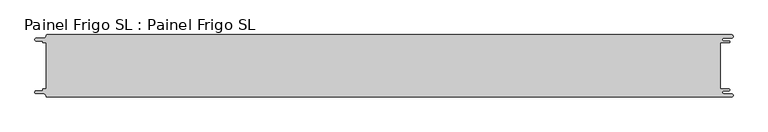
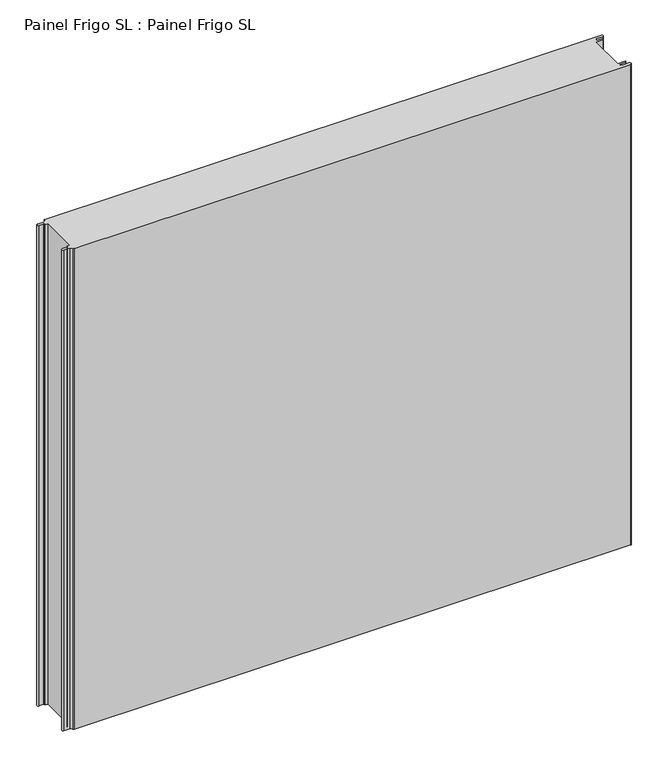
"""IFC4 building model written with IfcOpenShell, lengths in millimetres: proxy geometry, Painel Frigo SL : Painel Frigo SL."""

from ifc_helpers import new_model, si_unit, frame, origin, place, context, project, spatial, polyline, circle_curve, source, transform, mapped, element, save
from ifc_brep_helpers import plane_surface, cylinder_surface, revolved_surface, advanced_brep


def painel_frigo_sl_painel_frigo_sl_5bfc62d3(model_context):
    return source(origin(), model_context, "Body", "AdvancedBrep", [
        advanced_brep(
        [(-554.5874998, 37.3, 1000.0), (-549.2999612, 37.3, 1000.0), (-549.2999612, -37.2999995, 1000.0), (-554.5874998, -37.2999995, 1000.0), (-555.1875003, -37.9, 1000.0), (-555.1875003, -38.7085185, 1000.0), (-556.5875003, -40.1085185, 1000.0), (-565.565625, -40.1085185, 1000.0), (-565.565625, -44.5085185, 1000.0), (-553.55, -44.5085185, 1000.0), (-550.0, -48.0585185, 1000.0), (-548.05, -50.0, 1000.0), (546.89375, -50.0, 1000.0), (546.89375, -44.725, 1000.0), (534.45625, -44.725, 1000.0), (534.45625, -39.875, 1000.0), (543.1187503, -39.875, 1000.0), (543.1187503, -37.3, 1000.0), (529.2687503, -37.3, 1000.0), (529.2687503, 37.3, 1000.0), (543.1187503, 37.3, 1000.0), (543.1187503, 39.875, 1000.0), (534.45625, 39.875, 1000.0), (534.45625, 44.725, 1000.0), (546.89375, 44.725, 1000.0), (546.89375, 50.0, 1000.0), (-548.05, 50.0, 1000.0), (-550.0, 48.05, 1000.0), (-553.55, 44.5085185, 1000.0), (-565.565625, 44.5085185, 1000.0), (-565.565625, 40.1085187, 1000.0), (-556.5875001, 40.1085187, 1000.0), (-555.1874998, 38.7085184, 1000.0), (-555.1874998, 37.9, 1000.0), (-554.5874998, 37.3, 0.0), (-555.1874998, 37.9, 0.0), (-555.1874998, 38.7085184, 0.0), (-556.5875001, 40.1085187, 0.0), (-565.565625, 40.1085187, 0.0), (-565.565625, 44.5085185, 0.0), (-553.55, 44.5085185, 0.0), (-550.0, 48.0585185, 0.0), (-548.05, 50.0, 0.0), (546.89375, 50.0, 0.0), (546.89375, 44.725, 0.0), (534.45625, 44.725, 0.0), (534.45625, 39.875, 0.0), (543.1187503, 39.875, 0.0), (543.1187503, 37.3, 0.0), (529.2687503, 37.3, 0.0), (529.2687503, -37.3, 0.0), (543.1187503, -37.3, 0.0), (543.1187503, -39.875, 0.0), (534.45625, -39.875, 0.0), (534.45625, -44.725, 0.0), (546.89375, -44.725, 0.0), (546.89375, -50.0, 0.0), (-548.05, -50.0, 0.0), (-550.0, -48.05, 0.0), (-553.55, -44.5085185, 0.0), (-565.565625, -44.5085185, 0.0), (-565.565625, -40.1085185, 0.0), (-556.5875003, -40.1085185, 0.0), (-555.1875003, -38.7085185, 0.0), (-555.1875003, -37.9, 0.0), (-554.5874998, -37.2999995, 0.0), (-549.2999612, -37.2999995, 0.0), (-549.2999612, 37.3, 0.0)],
        [
            (0, 1),
            (1, 2),
            (2, 3),
            (3, 4, circle_curve(frame((-554.5874998, -37.9, 1000.0), z_axis=(0.0, 0.0, 1.0), x_axis=(1.0, 0.0, 0.0)), 0.6000005)),
            (4, 5),
            (5, 6, circle_curve(frame((-556.5875003, -38.7085185, 1000.0), z_axis=(0.0, 0.0, -1.0), x_axis=(1.0, 0.0, 0.0)), 1.4)),
            (6, 7),
            (7, 8, circle_curve(frame((-565.565625, -42.3085185, 1000.0), z_axis=(0.0, 0.0, 1.0), x_axis=(1.0, 0.0, 0.0)), 2.2)),
            (8, 9),
            (9, 10, circle_curve(frame((-553.55, -48.0585185, 1000.0), z_axis=(0.0, 0.0, -1.0), x_axis=(1.0, 0.0, 0.0)), 3.55)),
            (10, 11, circle_curve(frame((-548.05, -48.05, 1000.0), z_axis=(0.0, 0.0, 1.0), x_axis=(1.0, 0.0, 0.0)), 1.95)),
            (11, 12),
            (12, 13, circle_curve(frame((546.89375, -47.3625, 1000.0), z_axis=(0.0, 0.0, 1.0), x_axis=(1.0, 0.0, 0.0)), 2.6375)),
            (13, 14),
            (14, 15, circle_curve(frame((534.45625, -42.3, 1000.0), z_axis=(0.0, 0.0, -1.0), x_axis=(1.0, 0.0, 0.0)), 2.425)),
            (15, 16),
            (16, 17, circle_curve(frame((543.1187503, -38.5875, 1000.0), z_axis=(0.0, 0.0, 1.0), x_axis=(1.0, 0.0, 0.0)), 1.2875)),
            (17, 18),
            (18, 19),
            (19, 20),
            (20, 21, circle_curve(frame((543.1187503, 38.5875, 1000.0), z_axis=(0.0, 0.0, 1.0), x_axis=(1.0, 0.0, 0.0)), 1.2875)),
            (21, 22),
            (22, 23, circle_curve(frame((534.45625, 42.3, 1000.0), z_axis=(0.0, 0.0, -1.0), x_axis=(1.0, 0.0, 0.0)), 2.425)),
            (23, 24),
            (24, 25, circle_curve(frame((546.89375, 47.3625, 1000.0), z_axis=(0.0, 0.0, 1.0), x_axis=(1.0, 0.0, 0.0)), 2.6375)),
            (25, 26),
            (26, 27, circle_curve(frame((-548.05, 48.05, 1000.0), z_axis=(0.0, 0.0, 1.0), x_axis=(1.0, 0.0, 0.0)), 1.95)),
            (27, 28, circle_curve(frame((-553.55, 48.0585185, 1000.0), z_axis=(0.0, 0.0, -1.0), x_axis=(1.0, 0.0, 0.0)), 3.55)),
            (28, 29),
            (29, 30, circle_curve(frame((-565.565625, 42.3085186, 1000.0), z_axis=(0.0, 0.0, 1.0), x_axis=(1.0, 0.0, 0.0)), 2.1999999)),
            (30, 31),
            (31, 32, circle_curve(frame((-556.5875001, 38.7085184, 1000.0), z_axis=(0.0, 0.0, -1.0), x_axis=(1.0, 0.0, 0.0)), 1.4000003)),
            (32, 33),
            (33, 0, circle_curve(frame((-554.5874998, 37.9, 1000.0), z_axis=(0.0, 0.0, 1.0), x_axis=(1.0, 0.0, 0.0)), 0.6)),
            (34, 35, circle_curve(frame((-554.5874998, 37.9, 0.0), z_axis=(0.0, 0.0, -1.0), x_axis=(1.0, 0.0, 0.0)), 0.6)),
            (35, 36),
            (36, 37, circle_curve(frame((-556.5875001, 38.7085184, 0.0), z_axis=(0.0, 0.0, 1.0), x_axis=(1.0, 0.0, 0.0)), 1.4000003)),
            (37, 38),
            (38, 39, circle_curve(frame((-565.565625, 42.3085186, 0.0), z_axis=(0.0, 0.0, -1.0), x_axis=(1.0, 0.0, 0.0)), 2.1999999)),
            (39, 40),
            (40, 41, circle_curve(frame((-553.55, 48.0585185, 0.0), z_axis=(0.0, 0.0, 1.0), x_axis=(1.0, 0.0, 0.0)), 3.55)),
            (41, 42, circle_curve(frame((-548.05, 48.05, 0.0), z_axis=(0.0, 0.0, -1.0), x_axis=(1.0, 0.0, 0.0)), 1.95)),
            (42, 43),
            (43, 44, circle_curve(frame((546.89375, 47.3625, 0.0), z_axis=(0.0, 0.0, -1.0), x_axis=(1.0, 0.0, 0.0)), 2.6375)),
            (44, 45),
            (45, 46, circle_curve(frame((534.45625, 42.3, 0.0), z_axis=(0.0, 0.0, 1.0), x_axis=(1.0, 0.0, 0.0)), 2.425)),
            (46, 47),
            (47, 48, circle_curve(frame((543.1187503, 38.5875, 0.0), z_axis=(0.0, 0.0, -1.0), x_axis=(1.0, 0.0, 0.0)), 1.2875)),
            (48, 49),
            (49, 50),
            (50, 51),
            (51, 52, circle_curve(frame((543.1187503, -38.5875, 0.0), z_axis=(0.0, 0.0, -1.0), x_axis=(1.0, 0.0, 0.0)), 1.2875)),
            (52, 53),
            (53, 54, circle_curve(frame((534.45625, -42.3, 0.0), z_axis=(0.0, 0.0, 1.0), x_axis=(1.0, 0.0, 0.0)), 2.425)),
            (54, 55),
            (55, 56, circle_curve(frame((546.89375, -47.3625, 0.0), z_axis=(0.0, 0.0, -1.0), x_axis=(1.0, 0.0, 0.0)), 2.6375)),
            (56, 57),
            (57, 58, circle_curve(frame((-548.05, -48.05, 0.0), z_axis=(0.0, 0.0, -1.0), x_axis=(1.0, 0.0, 0.0)), 1.95)),
            (58, 59, circle_curve(frame((-553.55, -48.0585185, 0.0), z_axis=(0.0, 0.0, 1.0), x_axis=(1.0, 0.0, 0.0)), 3.55)),
            (59, 60),
            (60, 61, circle_curve(frame((-565.565625, -42.3085185, 0.0), z_axis=(0.0, 0.0, -1.0), x_axis=(1.0, 0.0, 0.0)), 2.2)),
            (61, 62),
            (62, 63, circle_curve(frame((-556.5875003, -38.7085185, 0.0), z_axis=(0.0, 0.0, 1.0), x_axis=(1.0, 0.0, 0.0)), 1.4)),
            (63, 64),
            (64, 65, circle_curve(frame((-554.5874998, -37.9, 0.0), z_axis=(0.0, 0.0, -1.0), x_axis=(1.0, 0.0, 0.0)), 0.6000005)),
            (65, 66),
            (66, 67),
            (67, 34),
            (0, 34),
            (67, 1),
            (66, 2),
            (65, 3),
            (64, 4),
            (63, 5),
            (62, 6),
            (61, 7),
            (60, 8),
            (59, 9),
            (58, 10),
            (57, 11),
            (56, 12),
            (18, 50),
            (49, 19),
            (48, 20),
            (47, 21),
            (46, 22),
            (45, 23),
            (44, 24),
            (43, 25),
            (42, 26),
            (41, 27),
            (40, 28),
            (39, 29),
            (38, 30),
            (37, 31),
            (36, 32),
            (35, 33),
            (55, 13),
            (54, 14),
            (53, 15),
            (52, 16),
            (51, 17),
        ],
        [
            plane_surface(frame((-549.2999612, 37.3, 1000.0), z_axis=(0.0, 0.0, 1.0), x_axis=(1.0, 0.0, 0.0))),
            plane_surface(frame((-549.2999612, 37.3, 0.0), z_axis=(0.0, 0.0, -1.0), x_axis=(-1.0, 0.0, 0.0))),
            plane_surface(frame((-554.5874998, 37.3, 1000.0), z_axis=(0.0, -1.0, 0.0), x_axis=(0.0, 0.0, -1.0))),
            plane_surface(frame((-549.2999612, 37.3, 1000.0), z_axis=(-1.0, 0.0, 0.0), x_axis=(0.0, 0.0, -1.0))),
            plane_surface(frame((-549.2999612, -37.2999995, 1000.0), z_axis=(0.0, 1.0, 0.0), x_axis=(0.0, 0.0, -1.0))),
            cylinder_surface(frame((-554.5874998, -37.9, 0.0), z_axis=(0.0, 0.0, 1.0), x_axis=(1.0, 0.0, 0.0)), 0.6000005),
            plane_surface(frame((-555.1875003, -37.9, 1000.0), z_axis=(-1.0, 1.757860866232943e-12, 0.0), x_axis=(0.0, 0.0, -1.0))),
            revolved_surface(polyline([(-555.1875003, -38.7085185, 0.0), (-555.1875003, -38.7085185, 1000.0)]), (-556.5875003, -38.7085185, 0.0), (0.0, 0.0, -1.0)),
            plane_surface(frame((-556.5875003, -40.1085185, 1000.0), z_axis=(0.0, 1.0, 0.0), x_axis=(0.0, 0.0, -1.0))),
            cylinder_surface(frame((-565.565625, -42.3085185, 0.0), z_axis=(0.0, 0.0, 1.0), x_axis=(1.0, 0.0, 0.0)), 2.2),
            plane_surface(frame((-565.565625, -44.5085185, 1000.0), z_axis=(0.0, -1.0, 0.0), x_axis=(0.0, 0.0, -1.0))),
            revolved_surface(polyline([(-550.0, -48.0585185, 0.0), (-550.0, -48.0585185, 1000.0)]), (-553.55, -48.0585185, 0.0), (0.0, 0.0, -1.0)),
            cylinder_surface(frame((-548.05, -48.05, 0.0), z_axis=(0.0, 0.0, 1.0), x_axis=(1.0, 0.0, 0.0)), 1.95),
            plane_surface(frame((-548.05, -50.0, 1000.0), z_axis=(0.0, -1.0, 0.0), x_axis=(0.0, 0.0, -1.0))),
            plane_surface(frame((529.2687503, -37.3, 1000.0), z_axis=(1.0, 0.0, 0.0), x_axis=(0.0, 0.0, -1.0))),
            plane_surface(frame((529.2687503, 37.3, 1000.0), z_axis=(0.0, -1.0, 0.0), x_axis=(0.0, 0.0, -1.0))),
            cylinder_surface(frame((543.1187503, 38.5875, 0.0), z_axis=(0.0, 0.0, 1.0), x_axis=(1.0, 0.0, 0.0)), 1.2875),
            plane_surface(frame((543.1187503, 39.875, 1000.0), z_axis=(0.0, 1.0, 0.0), x_axis=(0.0, 0.0, -1.0))),
            revolved_surface(polyline([(536.8812499999999, 42.3, 0.0), (536.8812499999999, 42.3, 1000.0)]), (534.45625, 42.3, 0.0), (0.0, 0.0, -1.0)),
            plane_surface(frame((534.45625, 44.725, 1000.0), z_axis=(0.0, -1.0, 0.0), x_axis=(0.0, 0.0, -1.0))),
            cylinder_surface(frame((546.89375, 47.3625, 0.0), z_axis=(0.0, 0.0, 1.0), x_axis=(1.0, 0.0, 0.0)), 2.6375),
            plane_surface(frame((546.89375, 50.0, 1000.0), z_axis=(0.0, 1.0, 0.0), x_axis=(0.0, 0.0, -1.0))),
            cylinder_surface(frame((-548.05, 48.05, 0.0), z_axis=(0.0, 0.0, 1.0), x_axis=(1.0, 0.0, 0.0)), 1.95),
            revolved_surface(polyline([(-550.0, 48.0585185, 0.0), (-550.0, 48.0585185, 1000.0)]), (-553.55, 48.0585185, 0.0), (0.0, 0.0, -1.0)),
            plane_surface(frame((-553.55, 44.5085185, 1000.0), z_axis=(0.0, 1.0, 0.0), x_axis=(0.0, 0.0, -1.0))),
            cylinder_surface(frame((-565.565625, 42.3085186, 0.0), z_axis=(0.0, 0.0, 1.0), x_axis=(1.0, 0.0, 0.0)), 2.1999999),
            plane_surface(frame((-565.565625, 40.1085187, 1000.0), z_axis=(0.0, -1.0, 0.0), x_axis=(0.0, 0.0, -1.0))),
            revolved_surface(polyline([(-555.1874998000001, 38.7085184, 0.0), (-555.1874998000001, 38.7085184, 1000.0)]), (-556.5875001, 38.7085184, 0.0), (0.0, 0.0, -1.0)),
            plane_surface(frame((-555.1874998, 38.7085184, 1000.0), z_axis=(-1.0, 0.0, 0.0), x_axis=(0.0, 0.0, -1.0))),
            cylinder_surface(frame((-554.5874998, 37.9, 0.0), z_axis=(0.0, 0.0, 1.0), x_axis=(1.0, 0.0, 0.0)), 0.6),
            cylinder_surface(frame((546.89375, -47.3625, 0.0), z_axis=(0.0, 0.0, 1.0), x_axis=(1.0, 0.0, 0.0)), 2.6375),
            plane_surface(frame((546.89375, -44.725, 1000.0), z_axis=(0.0, 1.0, 0.0), x_axis=(0.0, 0.0, -1.0))),
            revolved_surface(polyline([(536.8812499999999, -42.3, 0.0), (536.8812499999999, -42.3, 1000.0)]), (534.45625, -42.3, 0.0), (0.0, 0.0, -1.0)),
            plane_surface(frame((534.45625, -39.875, 1000.0), z_axis=(0.0, -1.0, 0.0), x_axis=(0.0, 0.0, -1.0))),
            cylinder_surface(frame((543.1187503, -38.5875, 0.0), z_axis=(0.0, 0.0, 1.0), x_axis=(1.0, 0.0, 0.0)), 1.2875),
            plane_surface(frame((543.1187503, -37.3, 1000.0), z_axis=(0.0, 1.0, 0.0), x_axis=(0.0, 0.0, -1.0))),
        ],
        [
            (0, [[1, 2, 3, 4, 5, 6, 7, 8, 9, 10, 11, 12, 13, 14, 15, 16, 17, 18, 19, 20, 21, 22, 23, 24, 25, 26, 27, 28, 29, 30, 31, 32, 33, 34]]),
            (1, [[35, 36, 37, 38, 39, 40, 41, 42, 43, 44, 45, 46, 47, 48, 49, 50, 51, 52, 53, 54, 55, 56, 57, 58, 59, 60, 61, 62, 63, 64, 65, 66, 67, 68]]),
            (2, [[-1, 69, -68, 70]]),
            (3, [[-2, -70, -67, 71]]),
            (4, [[-3, -71, -66, 72]]),
            (5, [[-4, -72, -65, 73]]),
            (6, [[-5, -73, -64, 74]]),
            (7, [[-6, -74, -63, 75]]),
            (8, [[-7, -75, -62, 76]]),
            (9, [[-8, -76, -61, 77]]),
            (10, [[-9, -77, -60, 78]]),
            (11, [[-10, -78, -59, 79]]),
            (12, [[-11, -79, -58, 80]]),
            (13, [[-12, -80, -57, 81]]),
            (14, [[-19, 82, -50, 83]]),
            (15, [[-20, -83, -49, 84]]),
            (16, [[-21, -84, -48, 85]]),
            (17, [[-22, -85, -47, 86]]),
            (18, [[-23, -86, -46, 87]]),
            (19, [[-24, -87, -45, 88]]),
            (20, [[-25, -88, -44, 89]]),
            (21, [[-26, -89, -43, 90]]),
            (22, [[-27, -90, -42, 91]]),
            (23, [[-28, -91, -41, 92]]),
            (24, [[-29, -92, -40, 93]]),
            (25, [[-30, -93, -39, 94]]),
            (26, [[-31, -94, -38, 95]]),
            (27, [[-32, -95, -37, 96]]),
            (28, [[-33, -96, -36, 97]]),
            (29, [[-34, -97, -35, -69]]),
            (30, [[-13, -81, -56, 98]]),
            (31, [[-14, -98, -55, 99]]),
            (32, [[-15, -99, -54, 100]]),
            (33, [[-16, -100, -53, 101]]),
            (34, [[-17, -101, -52, 102]]),
            (35, [[-18, -102, -51, -82]]),
        ],
    ),
    ])


if __name__ == "__main__":
    model = new_model("IFC4")
    model_context = context("Model", 3, world=origin())
    ifc_project = project(units=[si_unit("LENGTHUNIT", "METRE", prefix="MILLI")], contexts=[model_context])
    site = spatial("IfcSite", under=ifc_project)
    building = spatial("IfcBuilding", under=site)
    placement = place(None, origin())
    painel_frigo_sl_painel_frigo_sl_shape = painel_frigo_sl_painel_frigo_sl_5bfc62d3(model_context)
    element("IfcBuildingElementProxy", 1, Name="Painel Frigo SL : Painel Frigo SL", ObjectType="Painel Frigo SL : Painel Frigo SL", at=placement, inside=building, context=model_context, shape_type="MappedRepresentation", body=[
        mapped(painel_frigo_sl_painel_frigo_sl_shape, transform((0.0, 0.0, 0.0), x_axis=(1.0, 0.0, 0.0), y_axis=(0.0, 1.0, 0.0), z_axis=(0.0, 0.0, 1.0))),
    ])
    save(model, "model.ifc")
